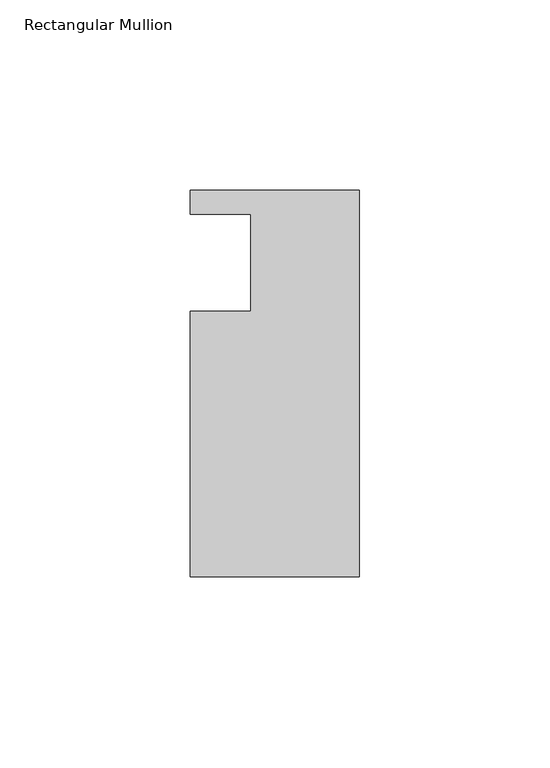
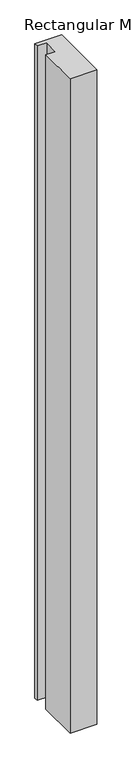
"""IFC4 building model written with IfcOpenShell, lengths in millimetres: member geometry, Rectangular Mullion."""

from ifc_helpers import new_model, si_unit, frame, origin, place, context, project, spatial, polyline, outline, extrude, source, transform, mapped, element, save


def rectangular_mullion_85e66c48(model_context):
    return source(origin(), model_context, "Body", "SweptSolid", [
        extrude(outline(polyline([(-44.45, -73.152), (-44.45, -3.302), (-28.575, -3.302), (-28.575, 22.098), (-44.45, 22.098), (-44.45, 28.448), (0.0, 28.448), (0.0, -73.152), (-44.45, -73.152)])), frame((0.0, 0.0, -1152.525), z_axis=(0.0, 0.0, 1.0), x_axis=(1.0, 0.0, 0.0)), (0.0, 0.0, 1.0), 1152.525),
    ])


if __name__ == "__main__":
    model = new_model("IFC4")
    model_context = context("Model", 3, world=origin())
    ifc_project = project(units=[si_unit("LENGTHUNIT", "METRE", prefix="MILLI")], contexts=[model_context])
    site = spatial("IfcSite", under=ifc_project)
    building = spatial("IfcBuilding", under=site)
    placement = place(None, origin())
    rectangular_mullion_shape = rectangular_mullion_85e66c48(model_context)
    element("IfcMember", 1, ObjectType="Rectangular Mullion", at=placement, inside=building, context=model_context, shape_type="MappedRepresentation", body=[
        mapped(rectangular_mullion_shape, transform((0.0, 0.0, 0.0), x_axis=(1.0, 0.0, 0.0), y_axis=(0.0, 1.0, 0.0), z_axis=(0.0, 0.0, 1.0))),
    ])
    save(model, "model.ifc")
